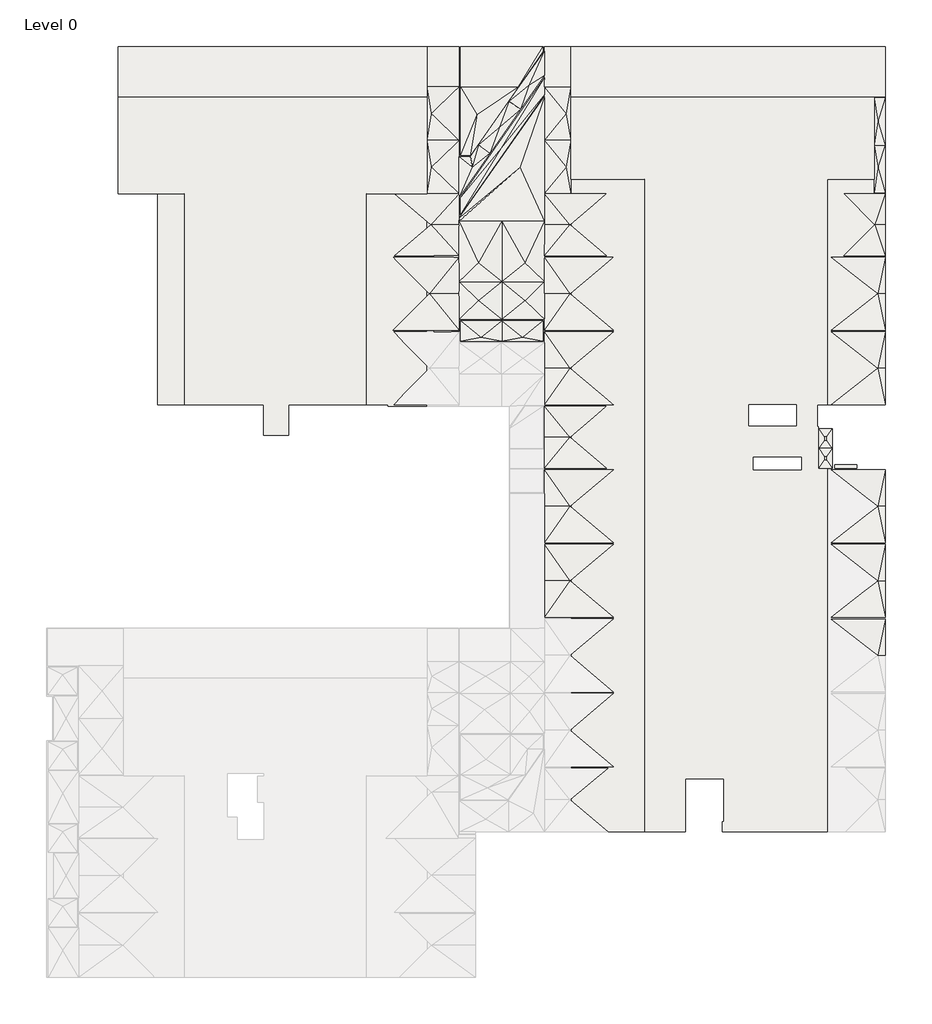
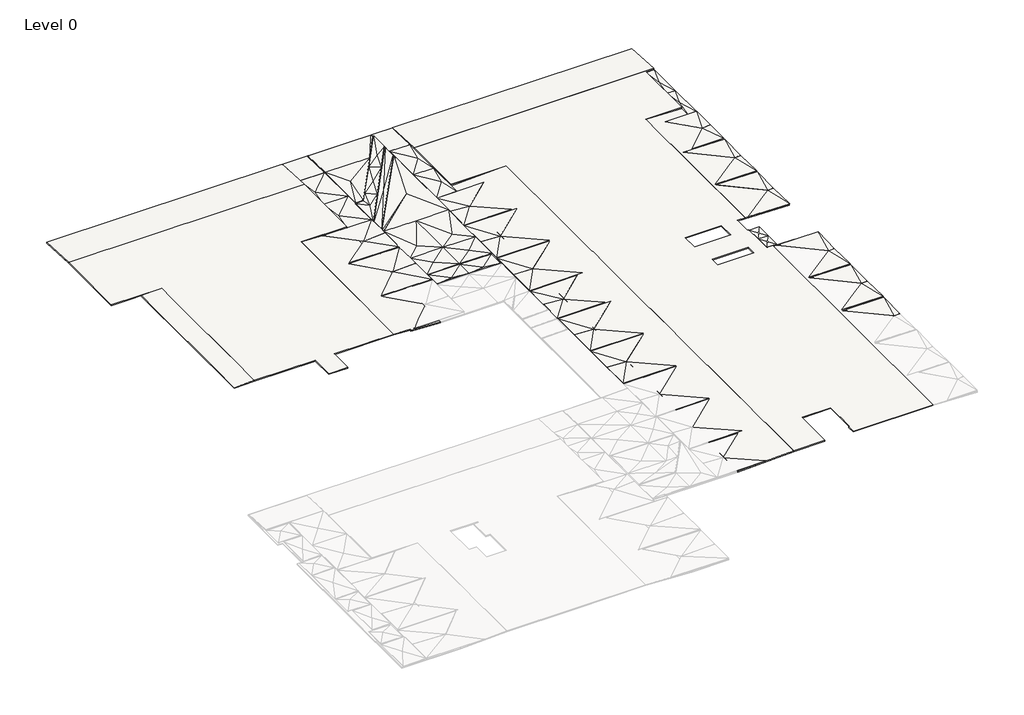
# One storey, part 2 of 2: 51 slabs.
"""IFC4 building model written with IfcOpenShell, lengths in millimetres."""

from ifc_helpers import new_model, si_unit, frame, origin, place, context, project, spatial, polyline, ellipse_curve, outline, extrude, faceted_brep, element, save
from ifc_brep_helpers import plane_surface, revolved_surface, advanced_brep

model = new_model("IFC4")

# Units and contexts
model_context = context("Model", 3, world=origin())
ifc_project = project(units=[si_unit("LENGTHUNIT", "METRE", prefix="MILLI")], contexts=[model_context])

# Site, building, storey
site = spatial("IfcSite", under=ifc_project)
building = spatial("IfcBuilding", under=site)
storey = spatial("IfcBuildingStorey", under=building, Name="Level 0", Elevation=0.0)

# Slabs
placement = place(None, origin())
element("IfcSlab", 1, ObjectType="125 Thick Level 1 Topping (+600 beams)", at=placement, inside=storey, context=model_context, shape_type="SweptSolid", body=[
    extrude(outline(polyline([(17023.7659553, -102128.1689347), (50170.2659553, -102128.1689347), (50170.2659553, -112550.1689347), (43706.7659553, -112550.1689347), (43706.7659553, -135164.1689347), (35301.7659553, -135164.1689347), (35301.7659553, -138454.1689347), (32626.7659553, -138454.1689347), (32626.7659553, -135164.1689347), (24096.7659553, -135164.1689347), (24096.7659553, -112551.1689347), (17023.7659553, -112551.1689347), (17023.7659553, -102128.1689347)])), frame((0.0, 0.0, -250.0), z_axis=(0.0, 0.0, 1.0), x_axis=(1.0, 0.0, 0.0)), (0.0, 0.0, 1.0), 125.0),
])
element("IfcSlab", 2, ObjectType="125 Thick Level 1 Topping (+600 beams)", at=placement, inside=storey, context=model_context, shape_type="SweptSolid", body=[
    extrude(outline(polyline([(-549.7884712, 65623.7655601), (-250.0905336, 73496.7655601), (-125.0, 73496.7655601), (-424.6979376, 65623.7655601), (-549.7884712, 65623.7655601)])), frame((0.0, -180983.8509347, 0.0), z_axis=(0.0, 1.0, 0.0), x_axis=(0.0, 0.0, 1.0)), (0.0, 0.0, 1.0), 69969.682),
])
element("IfcSlab", 3, ObjectType="125 Thick Level 1 Topping (+600 beams)", at=placement, inside=storey, context=model_context, shape_type="Brep", body=[
    faceted_brep([(43706.7659553, -112550.1689347, -250.1338178), (50179.7659553, -112550.1689347, -549.7316596), (50179.7659553, -135364.1689347, -549.7316596), (45991.7659576, -135364.1689347, -355.8932909), (45991.7659576, -135164.1689347, -355.8932909), (43706.7659553, -135164.1689347, -250.1338178), (43706.7659553, -112550.1689347, -125.0), (43706.7659553, -135164.1689347, -125.0), (45991.7659576, -135164.1689347, -230.7594731), (45991.7659576, -135364.1689347, -230.7594731), (50179.7659553, -135364.1689347, -424.5978419), (50179.7659553, -112550.1689347, -424.5978419)], [[[0, 1, 2, 3, 4, 5]], [[6, 7, 8, 9, 10, 11]], [[0, 5, 7, 6]], [[3, 2, 10, 9]], [[2, 1, 11, 10]], [[1, 0, 6, 11]], [[4, 3, 9, 8]], [[5, 4, 8, 7]]]),
])
element("IfcSlab", 4, ObjectType="125 Thick Level 1 Topping (+600 beams)", at=placement, inside=storey, context=model_context, shape_type="SweptSolid", body=[
    extrude(outline(polyline([(-349.4257997, 21251.7654552), (-250.076193, 24096.7659553), (-125.0, 24096.7659553), (-224.3496067, 21251.7654552), (-349.4257997, 21251.7654552)])), frame((0.0, -135164.1689347, 0.0), z_axis=(0.0, 1.0, 0.0), x_axis=(0.0, 0.0, 1.0)), (0.0, 0.0, 1.0), 22614.0),
])
element("IfcSlab", 5, ObjectType="125 Thick Level 1 Topping (+600 beams)", at=placement, inside=storey, context=model_context, shape_type="SweptSolid", body=[
    extrude(outline(polyline([(-96764.1689347, -550.0893674), (-102128.1689347, -250.1952089), (-102128.1689347, -125.0), (-96764.1689347, -424.8941585), (-96764.1689347, -550.0893674)])), frame((17023.7659553, 0.0, 0.0), z_axis=(1.0, 0.0, 0.0), x_axis=(0.0, 1.0, 0.0)), (0.0, 0.0, 1.0), 33156.0109988),
])
element("IfcSlab", 6, ObjectType="125 Thick Level 1 Topping (+600 beams)", at=placement, inside=storey, context=model_context, shape_type="AdvancedBrep", body=[
    advanced_brep(
    [(93106.7655601, -135164.1689347, -250.076193), (93106.7655601, -111014.1689347, -250.076193), (99351.7655601, -111014.1689347, -468.1563985), (99351.7655601, -135164.1689347, -468.1563985), (99021.8903882, -123215.5154714, -456.6369037), (99121.8903882, -123215.5154714, -460.1289806), (93106.7655601, -111014.1689347, -125.0), (93106.7655601, -135164.1689347, -125.0), (99351.7655601, -135164.1689347, -343.0802055), (99351.7655601, -111014.1689347, -343.0802055), (99121.8903882, -123215.5154714, -335.0527876), (99021.8903882, -123215.5154714, -331.5607106)],
    [
        (0, 1),
        (1, 2),
        (2, 3),
        (3, 0),
        (4, 5, ellipse_curve(frame((99071.8903882, -123215.5154714, -458.3829421), z_axis=(0.034899496702500934, 0.0, 0.9993908270190958), x_axis=(-0.9993908270190959, 0.0, 0.03489949670249855)), 50.0304772, 50.0)),
        (5, 4, ellipse_curve(frame((99071.8903882, -123215.5154714, -458.3829421), z_axis=(0.034899496702500934, 0.0, 0.9993908270190958), x_axis=(-0.9993908270190959, 0.0, 0.03489949670249855)), 50.0304772, 50.0)),
        (6, 7),
        (7, 8),
        (8, 9),
        (9, 6),
        (10, 11, ellipse_curve(frame((99071.8903882, -123215.5154714, -333.3067491), z_axis=(-0.034899496702500934, 0.0, -0.9993908270190958), x_axis=(-0.9993908270190959, 0.0, 0.03489949670249855)), 50.0304772, 50.0)),
        (11, 10, ellipse_curve(frame((99071.8903882, -123215.5154714, -333.3067491), z_axis=(-0.034899496702500934, 0.0, -0.9993908270190958), x_axis=(-0.9993908270190959, 0.0, 0.03489949670249855)), 50.0304772, 50.0)),
        (0, 7),
        (6, 1),
        (3, 8),
        (2, 9),
        (4, 11),
        (10, 5),
    ],
    [
        plane_surface(frame((93106.7655601, -125944.1689347, -250.076193), z_axis=(-0.034899496702500934, 0.0, -0.9993908270190958), x_axis=(0.9993908270190958, 0.0, -0.034899496702500934))),
        plane_surface(frame((93106.7655601, -125944.1689347, -125.0), z_axis=(0.034899496702500934, 0.0, 0.9993908270190958), x_axis=(-0.9993908270190958, 0.0, 0.034899496702500934))),
        plane_surface(frame((93106.7655601, -135164.1689347, -250.076193), z_axis=(-1.0, 0.0, 0.0), x_axis=(0.0, 0.0, 1.0))),
        plane_surface(frame((99351.7655601, -135164.1689347, -468.1563985), z_axis=(0.0, -1.0, 0.0), x_axis=(0.0, 0.0, 1.0))),
        plane_surface(frame((99351.7655601, -111014.1689347, -468.1563985), z_axis=(1.0, 0.0, 0.0), x_axis=(0.0, 0.0, 1.0))),
        plane_surface(frame((93106.7655601, -111014.1689347, -250.076193), z_axis=(0.0, 1.0, 0.0), x_axis=(0.0, 0.0, 1.0))),
        revolved_surface(polyline([(99121.8903882, -123215.5154714, -331.5607106), (99121.8903882, -123215.5154714, -460.1289806)]), (99071.8903882, -123215.5154714, -772.9563985), (0.0, 0.0, 1.0)),
    ],
    [
        (0, [[1, 2, 3, 4], [5, 6]]),
        (1, [[7, 8, 9, 10], [11, 12]]),
        (2, [[-1, 13, -7, 14]]),
        (3, [[-4, 15, -8, -13]]),
        (4, [[-3, 16, -9, -15]]),
        (5, [[-2, -14, -10, -16]]),
        (6, [[17, -11, 18, -5]]),
        (6, [[-17, -6, -18, -12]]),
    ],
),
])
element("IfcSlab", 7, ObjectType="125 Thick Level 1 Topping (+600 beams)", at=placement, inside=storey, context=model_context, shape_type="SweptSolid", body=[
    extrude(outline(polyline([(65623.7655613, -102128.1689347), (98179.765559, -102128.1689347), (98179.765559, -111014.1689347), (93106.7655601, -111014.1689347), (93106.7655601, -135164.1689347), (92041.7655613, -135164.1689347), (92041.7655613, -137544.1689347), (92171.7655613, -137544.1689347), (92171.7655613, -137744.1689347), (93646.2716717, -137744.1689347), (93646.2716717, -141964.1689347), (93106.7655601, -141964.1689347), (93106.7655601, -180984.1689347), (81846.7655601, -180984.1689347), (81846.7655601, -179884.4872066), (82026.7655601, -179884.4872066), (82026.7655601, -175294.1689347), (77901.7655601, -175294.1689347), (77901.7655601, -180984.1692066), (73496.7655601, -180984.1692066), (73496.7655601, -111014.1689347), (65623.7655613, -111014.1689347), (65623.7655613, -102128.1689347)]), holes=[polyline([(85211.7655636, -142164.1689347), (90316.7655601, -142164.1689347), (90316.7655601, -140814.1689347), (85211.7655636, -140814.1689347), (85211.7655636, -142164.1689347)]), polyline([(84726.7655601, -137414.1689347), (89776.7655601, -137414.1689347), (89776.7655601, -135164.1689347), (84726.7655601, -135164.1689347), (84726.7655601, -137414.1689347)])]), frame((0.0, 0.0, -250.0), z_axis=(0.0, 0.0, 1.0), x_axis=(1.0, 0.0, 0.0)), (0.0, 0.0, 1.0), 125.0),
])
element("IfcSlab", 8, ObjectType="125 Thick Level 1 Topping (+600 beams)", at=placement, inside=storey, context=model_context, shape_type="SweptSolid", body=[
    extrude(outline(polyline([(-96764.1689347, -550.0893674), (-102128.1689347, -250.1952089), (-102128.1689347, -125.0), (-96764.1689347, -424.8941585), (-96764.1689347, -550.0893674)])), frame((65623.7655601, 0.0, 0.0), z_axis=(1.0, 0.0, 0.0), x_axis=(0.0, 1.0, 0.0)), (0.0, 0.0, 1.0), 33728.0),
])
element("IfcSlab", 9, ObjectType="125 Thick Level 1 Topping (+600 beams)", at=placement, inside=storey, context=model_context, shape_type="SweptSolid", body=[
    extrude(outline(polyline([(92231.7765601, -137744.1689347), (93646.2716717, -137744.1689347), (93646.2716717, -141964.1689347), (92231.7765601, -141964.1689347), (92231.7765601, -137744.1689347)])), frame((0.0, 0.0, -425.0), z_axis=(0.0, 0.0, 1.0), x_axis=(1.0, 0.0, 0.0)), (0.0, 0.0, 1.0), 125.0),
])
element("IfcSlab", 10, ObjectType="150 Concrete", at=placement, inside=storey, context=model_context, shape_type="SweptSolid", body=[
    extrude(outline(polyline([(93906.7765601, -141964.1689347), (93906.7765601, -141594.1343436), (96296.2716717, -141594.1343436), (96296.2716717, -141964.1689347), (93906.7765601, -141964.1689347)])), frame((0.0, 0.0, -655.0), z_axis=(0.0, 0.0, 1.0), x_axis=(1.0, 0.0, 0.0)), (0.0, 0.0, 1.0), 150.0),
])
element("IfcSlab", 11, ObjectType="200 Concrete", at=placement, inside=storey, context=model_context, shape_type="SweptSolid", body=[
    extrude(outline(polyline([(-502.2749725, 98179.765559), (-543.2021143, 99351.7655601), (-343.0802055, 99351.7655601), (-302.1530636, 98179.765559), (-502.2749725, 98179.765559)])), frame((0.0, -111014.1689347, 0.0), z_axis=(0.0, 1.0, 0.0), x_axis=(0.0, 0.0, 1.0)), (0.0, 0.0, 1.0), 8886.0),
])
element("IfcSlab", 12, ObjectType="75 Screed", at=placement, inside=storey, context=model_context, shape_type="Brep", body=[
    faceted_brep([(53629.7659553, -126024.1689347, -305.0), (53629.7659553, -126024.1689347, -300.0), (53629.7659553, -121965.4961873, -300.0), (53629.7659553, -115494.1689347, -250.0), (53629.7659553, -115153.9945133, -270.0), (53629.7659553, -115153.9945133, -275.0), (53629.7659553, -115494.1689347, -255.0), (53629.7659553, -121965.4961873, -305.0), (62793.1256513, -102154.5329681, -300.0), (62793.1256513, -102154.5329681, -305.0), (62793.1256513, -115494.1689347, -250.0), (62793.1256513, -121965.4961873, -300.0), (62793.1256513, -126024.1689347, -300.0), (62793.1256513, -126024.1689347, -305.0), (62793.1256513, -121965.4961873, -305.0), (62793.1256513, -115494.1689347, -255.0), (58201.7657583, -126024.1689347, -300.0), (58201.7657583, -126024.1689347, -305.0), (60698.5740963, -124004.1689347, -400.0), (60698.5740963, -124004.1689347, -405.0), (60173.804207, -109714.1689347, -425.0), (60173.804207, -109714.1689347, -430.0), (58201.7657583, -121965.4961873, -300.0), (58201.7657583, -121965.4961873, -305.0), (55699.5227755, -124004.1689347, -400.0), (55699.5227755, -124004.1689347, -405.0), (55699.3488372, -119964.1689347, -405.0), (60698.5740963, -119964.1689347, -405.0), (55699.3488372, -119964.1689347, -410.0), (60698.5740963, -119964.1689347, -410.0), (58201.7659553, -115494.1689347, -250.0), (58201.7659553, -115494.1689347, -255.0)], [[[0, 1, 2, 3, 4, 5, 6, 7]], [[5, 4, 8, 9]], [[9, 8, 10, 11, 12, 13, 14, 15]], [[13, 12, 16, 1, 0, 17]], [[12, 18, 16]], [[13, 17, 19]], [[8, 4, 20]], [[9, 21, 5]], [[8, 20, 10]], [[9, 15, 21]], [[18, 11, 22]], [[12, 11, 18]], [[19, 23, 14]], [[13, 19, 14]], [[1, 16, 24]], [[18, 22, 16]], [[0, 25, 17]], [[19, 17, 23]], [[1, 24, 2]], [[2, 24, 22]], [[16, 22, 24]], [[0, 7, 25]], [[7, 23, 25]], [[17, 25, 23]], [[2, 22, 26]], [[4, 3, 20]], [[11, 10, 27]], [[7, 28, 23]], [[5, 21, 6]], [[14, 29, 15]], [[22, 27, 30]], [[2, 26, 3]], [[3, 26, 30]], [[22, 30, 26]], [[10, 30, 27]], [[11, 27, 22]], [[23, 31, 29]], [[7, 6, 28]], [[6, 31, 28]], [[23, 28, 31]], [[15, 29, 31]], [[14, 23, 29]], [[20, 3, 30, 10]], [[21, 15, 31, 6]]]),
])
element("IfcSlab", 13, ObjectType="75 Screed", at=placement, inside=storey, context=model_context, shape_type="Brep", body=[
    faceted_brep([(62633.7655613, -126164.1689347, -305.0), (62633.7655613, -126164.1689347, -300.0), (62633.7655613, -128364.1689347, -300.0), (62633.7655613, -128364.1689347, -305.0), (58201.7657583, -128364.1689347, -300.0), (53769.7659553, -128364.1689347, -300.0), (53769.7659553, -128364.1689347, -305.0), (58201.7657583, -128364.1689347, -305.0), (53769.7659553, -126164.1689347, -300.0), (53769.7659553, -126164.1689347, -305.0), (58201.7657583, -126164.1689347, -300.0), (58201.7657583, -126164.1689347, -305.0), (55978.7767516, -127964.1689347, -380.0), (55978.7767516, -127964.1689347, -385.0), (60424.7835731, -127964.1689347, -380.0), (60424.7835731, -127964.1689347, -385.0)], [[[0, 1, 2, 3]], [[3, 2, 4, 5, 6, 7]], [[6, 5, 8, 9]], [[9, 8, 10, 1, 0, 11]], [[8, 5, 12]], [[9, 13, 6]], [[2, 1, 14]], [[3, 15, 0]], [[8, 12, 10]], [[9, 11, 13]], [[2, 14, 4]], [[3, 7, 15]], [[5, 4, 12]], [[12, 4, 10]], [[1, 10, 14]], [[14, 10, 4]], [[6, 13, 7]], [[13, 11, 7]], [[0, 15, 11]], [[15, 7, 11]]]),
])
element("IfcSlab", 14, ObjectType="75 Screed", at=placement, inside=storey, context=model_context, shape_type="Brep", body=[
    faceted_brep([(62773.7655613, -101938.0994907, -305.0), (62773.7655613, -101938.0994907, -300.0), (53769.7659553, -114797.1435807, -300.0), (53769.7659553, -114797.1435807, -305.0), (53769.7659553, -112966.5244453, -300.0), (53769.7659553, -112966.5244453, -305.0), (62773.7655613, -100107.4803553, -300.0), (62773.7655613, -100107.4803553, -305.0), (58133.7831354, -107678.2081794, -400.0), (58133.7831354, -107678.2081794, -405.0)], [[[0, 1, 2, 3]], [[3, 2, 4, 5]], [[5, 4, 6, 7]], [[7, 6, 1, 0]], [[6, 4, 8]], [[7, 9, 5]], [[4, 2, 8]], [[2, 1, 8]], [[5, 9, 3]], [[3, 9, 0]], [[6, 8, 1]], [[7, 0, 9]]]),
])
element("IfcSlab", 15, ObjectType="75 Screed", at=placement, inside=storey, context=model_context, shape_type="Brep", body=[
    faceted_brep([(53771.7659553, -96764.1689347, -430.0), (53771.7659553, -96764.1689347, -425.0), (62631.7659553, -96764.1689347, -425.0), (62631.7659553, -96764.1689347, -430.0), (62631.7659553, -97294.1138531, -400.0), (62631.7659553, -97294.1138531, -405.0), (59982.1420622, -101078.1689347, -275.0), (54831.4154111, -108434.1689347, -300.0), (54831.4154111, -108434.1689347, -305.0), (59982.1420622, -101078.1689347, -280.0), (53771.7659553, -108434.1689347, -300.0), (53771.7659553, -108434.1689347, -305.0), (53771.7659553, -101078.1689347, -275.0), (53771.7659553, -101078.1689347, -280.0), (55549.1737034, -104065.7561865, -400.0), (55549.1737034, -104065.7561865, -405.0)], [[[0, 1, 2, 3]], [[3, 2, 4, 5]], [[5, 4, 6, 7, 8, 9]], [[8, 7, 10, 11]], [[11, 10, 12, 1, 0, 13]], [[10, 7, 14]], [[11, 15, 8]], [[4, 2, 6]], [[5, 9, 3]], [[2, 1, 12, 6]], [[3, 9, 13, 0]], [[10, 14, 12]], [[12, 14, 6]], [[11, 13, 15]], [[13, 9, 15]], [[7, 6, 14]], [[8, 15, 9]]]),
])
element("IfcSlab", 16, ObjectType="75 Screed", at=placement, inside=storey, context=model_context, shape_type="Brep", body=[
    faceted_brep([(98179.765559, -112436.1689347, -255.0), (98179.765559, -112436.1689347, -250.0), (98179.765559, -107327.4795808, -260.0), (98179.765559, -102253.1689347, -250.0), (98179.765559, -102253.1689347, -255.0), (98179.765559, -107327.4795808, -265.0), (99351.7655601, -112436.1689347, -285.0), (99351.7655601, -112436.1689347, -280.0), (99351.7655601, -102253.1689347, -285.0), (99351.7655601, -102253.1689347, -280.0), (99351.7655601, -107327.4795808, -300.0), (99351.7655601, -107327.4795808, -305.0), (98579.7655624, -109712.0516459, -320.0), (98579.5786171, -104764.7589164, -320.0), (98579.7655624, -109712.0516459, -325.0), (98579.5786171, -104764.7589164, -325.0)], [[[0, 1, 2, 3, 4, 5]], [[6, 7, 1, 0]], [[8, 9, 10, 7, 6, 11]], [[4, 3, 9, 8]], [[1, 12, 2]], [[7, 12, 1]], [[9, 3, 13]], [[0, 5, 14]], [[6, 0, 14]], [[8, 15, 4]], [[9, 13, 10]], [[8, 11, 15]], [[13, 2, 10]], [[3, 2, 13]], [[7, 10, 12]], [[12, 10, 2]], [[15, 11, 5]], [[4, 15, 5]], [[6, 14, 11]], [[14, 5, 11]]]),
])
element("IfcSlab", 17, ObjectType="75 Screed", at=placement, inside=storey, context=model_context, shape_type="Brep", body=[
    faceted_brep([(65623.7655613, -112550.1689347, -305.0), (65623.7655613, -112550.1689347, -300.0), (62773.7655613, -112550.1689347, -300.0), (62773.7655613, -112550.1689347, -305.0), (62773.7655613, -101078.1689347, -305.0), (62773.7655613, -101078.1689347, -300.0), (65623.7655613, -101078.1689347, -300.0), (65623.7655613, -101078.1689347, -305.0), (62773.7655613, -106814.1689347, -300.0), (62773.7655613, -106814.1689347, -305.0), (65623.7655613, -106814.1689347, -300.0), (65623.7655613, -106814.1689347, -305.0), (65113.420843, -109682.1689347, -400.0), (65113.420843, -109682.1689347, -405.0), (65113.420843, -103946.1689347, -400.0), (65113.420843, -103946.1689347, -405.0)], [[[0, 1, 2, 3]], [[4, 5, 6, 7]], [[3, 2, 8, 5, 4, 9]], [[7, 6, 10, 1, 0, 11]], [[2, 1, 12]], [[3, 13, 0]], [[2, 12, 8]], [[3, 9, 13]], [[6, 14, 10]], [[5, 14, 6]], [[7, 11, 15]], [[4, 7, 15]], [[5, 8, 14]], [[12, 10, 8]], [[14, 8, 10]], [[1, 10, 12]], [[4, 15, 9]], [[13, 9, 11]], [[15, 11, 9]], [[0, 13, 11]]]),
])
element("IfcSlab", 18, ObjectType="75 Screed", at=placement, inside=storey, context=model_context, shape_type="Brep", body=[
    faceted_brep([(54841.5342014, -108574.1689347, -305.0), (54841.5342014, -108574.1689347, -300.0), (55719.1682664, -107320.7775941, -300.0), (58988.7561805, -102651.3221318, -300.0), (62771.7659553, -97248.6242624, -300.0), (62771.7659553, -97248.6242624, -305.0), (58988.7561805, -102651.3221318, -305.0), (55719.1682664, -107320.7775941, -305.0), (62773.8622451, -99863.4655026, -305.0), (62773.8622451, -99863.4655026, -300.0), (60218.7363211, -103512.563498, -300.0), (56949.148407, -108182.0189603, -300.0), (53629.9100424, -112922.3826147, -300.0), (53629.9100424, -112922.3826147, -305.0), (56949.148407, -108182.0189603, -305.0), (60218.7363211, -103512.563498, -305.0), (61137.4603751, -100892.6986972, -400.0), (61137.4603751, -100892.6986972, -405.0), (57969.5827604, -105416.8967983, -400.0), (57969.5827604, -105416.8967983, -405.0), (53631.7659553, -108573.6526404, -300.0), (53631.7659553, -108573.6526404, -305.0), (55042.0873326, -109689.2035257, -400.0), (55042.0873326, -109689.2035257, -405.0)], [[[0, 1, 2, 3, 4, 5, 6, 7]], [[8, 9, 10, 11, 12, 13, 14, 15]], [[5, 4, 9, 8]], [[9, 4, 16]], [[8, 17, 5]], [[2, 11, 18]], [[7, 19, 14]], [[13, 12, 20, 21]], [[21, 20, 1, 0]], [[2, 1, 22]], [[7, 23, 0]], [[1, 20, 22]], [[0, 23, 21]], [[20, 12, 22]], [[21, 23, 13]], [[2, 22, 11]], [[7, 14, 23]], [[11, 22, 12]], [[14, 13, 23]], [[3, 10, 16]], [[6, 17, 15]], [[11, 10, 18]], [[14, 19, 15]], [[3, 18, 10]], [[2, 18, 3]], [[6, 15, 19]], [[7, 6, 19]], [[9, 16, 10]], [[4, 3, 16]], [[8, 15, 17]], [[5, 17, 6]]]),
])
element("IfcSlab", 19, ObjectType="75 Screed", at=placement, inside=storey, context=model_context, shape_type="Brep", body=[
    faceted_brep([(50451.9742701, -123264.1689347, -430.0), (50451.9742701, -123264.1689347, -425.0), (46526.9742701, -119339.1689347, -255.0), (46526.9742701, -119339.1689347, -260.0), (53629.7659553, -119339.1689347, -285.0), (53629.7659553, -119339.1689347, -280.0), (53629.7659553, -123264.1689347, -300.0), (53629.7659553, -123264.1689347, -305.0)], [[[0, 1, 2, 3]], [[4, 5, 6, 7]], [[3, 2, 5, 4]], [[7, 6, 1, 0]], [[2, 1, 5]], [[3, 4, 0]], [[5, 1, 6]], [[4, 7, 0]]]),
])
element("IfcSlab", 20, ObjectType="75 Screed", at=placement, inside=storey, context=model_context, shape_type="Brep", body=[
    faceted_brep([(50604.7659576, -115869.6689347, -430.0), (50604.7659576, -115869.6689347, -425.0), (46679.7906019, -112550.1689347, -260.0), (46679.7906019, -112550.1689347, -265.0), (53629.7659553, -112550.1689347, -305.0), (53629.7659553, -112550.1689347, -300.0), (53629.7659553, -115869.6689347, -250.0), (53629.7659553, -115869.6689347, -255.0)], [[[0, 1, 2, 3]], [[4, 5, 6, 7]], [[3, 2, 5, 4]], [[7, 6, 1, 0]], [[2, 1, 5]], [[3, 4, 0]], [[5, 1, 6]], [[4, 7, 0]]]),
])
element("IfcSlab", 21, ObjectType="75 Screed", at=placement, inside=storey, context=model_context, shape_type="Brep", body=[
    faceted_brep([(65498.7655636, -115870.6689347, -430.0), (65498.7655636, -115870.6689347, -425.0), (69423.7409193, -119190.1689347, -245.0), (69423.7409193, -119190.1689347, -250.0), (62773.7655613, -119190.1689347, -283.5), (62773.7655613, -119190.1689347, -278.5), (62773.7655613, -115870.6689347, -253.0), (62773.7655613, -115870.6689347, -258.0)], [[[0, 1, 2, 3]], [[4, 5, 6, 7]], [[3, 2, 5, 4]], [[7, 6, 1, 0]], [[2, 1, 5]], [[3, 4, 0]], [[5, 1, 6]], [[4, 7, 0]]]),
])
element("IfcSlab", 22, ObjectType="75 Screed", at=placement, inside=storey, context=model_context, shape_type="Brep", body=[
    faceted_brep([(69423.7409193, -112551.1689347, -285.0), (69423.7409193, -112551.1689347, -280.0), (65498.7655636, -115870.6689347, -425.0), (65498.7655636, -115870.6689347, -430.0), (62773.7655613, -115870.6689347, -305.0), (62773.7655613, -115870.6689347, -300.0), (62773.7655613, -112551.1689347, -300.0), (62773.7655613, -112551.1689347, -305.0)], [[[0, 1, 2, 3]], [[4, 5, 6, 7]], [[7, 6, 1, 0]], [[3, 2, 5, 4]], [[2, 1, 6]], [[3, 7, 0]], [[2, 6, 5]], [[3, 4, 7]]]),
])
element("IfcSlab", 23, ObjectType="75 Screed", at=placement, inside=storey, context=model_context, shape_type="Brep", body=[
    faceted_brep([(65523.7655591, -123264.168933, -430.0), (65523.7655591, -123264.168933, -425.0), (70201.3984111, -127189.168933, -250.0), (70201.3984111, -127189.168933, -255.0), (62773.7655613, -127189.168933, -305.0), (62773.7655613, -127189.168933, -300.0), (62773.7655613, -123264.168933, -300.0), (62773.7655613, -123264.168933, -305.0)], [[[0, 1, 2, 3]], [[4, 5, 6, 7]], [[3, 2, 5, 4]], [[7, 6, 1, 0]], [[2, 1, 5]], [[3, 4, 0]], [[5, 1, 6]], [[4, 7, 0]]]),
])
element("IfcSlab", 24, ObjectType="75 Screed", at=placement, inside=storey, context=model_context, shape_type="Brep", body=[
    faceted_brep([(53631.7659553, -112550.1689347, -305.0), (53631.7659553, -112550.1689347, -300.0), (50179.7659576, -112550.1689347, -300.0), (50179.7659576, -112550.1689347, -305.0), (50179.7659576, -101078.1689347, -280.0), (50179.7659576, -101078.1689347, -275.0), (53631.7659553, -101078.1689347, -275.0), (53631.7659553, -101078.1689347, -280.0), (50179.7659576, -106819.1689347, -300.0), (50179.7659576, -106819.1689347, -305.0), (53631.7659553, -106819.1689347, -300.0), (53631.7659553, -106819.1689347, -305.0), (50646.6243402, -109688.5989816, -400.0), (50646.6243402, -109688.5989816, -405.0), (50646.9212393, -103949.1572279, -400.0), (50646.9212393, -103949.1572279, -405.0)], [[[0, 1, 2, 3]], [[4, 5, 6, 7]], [[3, 2, 8, 5, 4, 9]], [[7, 6, 10, 1, 0, 11]], [[2, 1, 12]], [[3, 13, 0]], [[2, 12, 8]], [[3, 9, 13]], [[6, 14, 10]], [[5, 14, 6]], [[7, 11, 15]], [[4, 7, 15]], [[5, 8, 14]], [[12, 10, 8]], [[14, 8, 10]], [[1, 10, 12]], [[4, 15, 9]], [[13, 9, 11]], [[15, 11, 9]], [[0, 13, 11]]]),
])
element("IfcSlab", 25, ObjectType="75 Screed", at=placement, inside=storey, context=model_context, shape_type="SweptSolid", body=[
    extrude(outline(polyline([(-101078.1689347, -280.0), (-101078.1689347, -275.0), (-96764.1689347, -425.0), (-96764.1689347, -430.0), (-101078.1689347, -280.0)])), frame((50179.7769541, 0.0, 0.0), z_axis=(1.0, 0.0, 0.0), x_axis=(0.0, 1.0, 0.0)), (0.0, 0.0, 1.0), 3451.9890012),
])
element("IfcSlab", 26, ObjectType="75 Screed", at=placement, inside=storey, context=model_context, shape_type="Brep", body=[
    faceted_brep([(98236.7655578, -115862.6689347, -305.0), (98236.7655578, -115862.6689347, -300.0), (94925.2655578, -112551.1689347, -185.0), (94925.2655578, -112551.1689347, -190.0), (99351.7655601, -112551.1689347, -185.0), (99351.7655601, -112551.1689347, -180.0), (99351.7655601, -115862.6689347, -200.0), (99351.7655601, -115862.6689347, -205.0)], [[[0, 1, 2, 3]], [[4, 5, 6, 7]], [[3, 2, 5, 4]], [[7, 6, 1, 0]], [[2, 1, 5]], [[3, 4, 0]], [[5, 1, 6]], [[4, 7, 0]]]),
])
element("IfcSlab", 27, ObjectType="75 Screed", at=placement, inside=storey, context=model_context, shape_type="SweptSolid", body=[
    extrude(outline(polyline([(-101078.1689347, -280.0), (-101078.1689347, -275.0), (-96764.1689347, -425.0), (-96764.1689347, -430.0), (-101078.1689347, -280.0)])), frame((62771.7659553, 0.0, 0.0), z_axis=(1.0, 0.0, 0.0), x_axis=(0.0, 1.0, 0.0)), (0.0, 0.0, 1.0), 2851.999606),
])
element("IfcSlab", 28, ObjectType="75 Screed", at=placement, inside=storey, context=model_context, shape_type="Brep", body=[
    faceted_brep([(70201.3984111, -119339.168933, -255.0), (70201.3984111, -119339.168933, -250.0), (65523.7655591, -123264.168933, -425.0), (65523.7655591, -123264.168933, -430.0), (62773.7655613, -123264.168933, -305.0), (62773.7655613, -123264.168933, -300.0), (62773.7655613, -119339.168933, -280.0), (62773.7655613, -119339.168933, -285.0)], [[[0, 1, 2, 3]], [[4, 5, 6, 7]], [[7, 6, 1, 0]], [[3, 2, 5, 4]], [[2, 1, 6]], [[3, 7, 0]], [[2, 6, 5]], [[3, 4, 7]]]),
])
element("IfcSlab", 29, ObjectType="75 Screed", at=placement, inside=storey, context=model_context, shape_type="Brep", body=[
    faceted_brep([(70201.3984111, -127339.1689364, -255.0), (70201.3984111, -127339.1689364, -250.0), (65523.7655591, -131264.1689364, -425.0), (65523.7655591, -131264.1689364, -430.0), (62773.7655613, -131264.1689364, -305.0), (62773.7655613, -131264.1689364, -300.0), (62773.7655613, -127339.1689364, -300.0), (62773.7655613, -127339.1689364, -305.0)], [[[0, 1, 2, 3]], [[4, 5, 6, 7]], [[7, 6, 1, 0]], [[3, 2, 5, 4]], [[2, 1, 6]], [[3, 7, 0]], [[2, 6, 5]], [[3, 4, 7]]]),
])
element("IfcSlab", 30, ObjectType="75 Screed", at=placement, inside=storey, context=model_context, shape_type="Brep", body=[
    faceted_brep([(65523.7655591, -131264.1689364, -430.0), (65523.7655591, -131264.1689364, -425.0), (70201.3984111, -135189.1689364, -250.0), (70201.3984111, -135189.1689364, -255.0), (62773.7655613, -135189.1689364, -305.0), (62773.7655613, -135189.1689364, -300.0), (62773.7655613, -131264.1689364, -300.0), (62773.7655613, -131264.1689364, -305.0)], [[[0, 1, 2, 3]], [[4, 5, 6, 7]], [[3, 2, 5, 4]], [[7, 6, 1, 0]], [[2, 1, 5]], [[3, 4, 0]], [[5, 1, 6]], [[4, 7, 0]]]),
])
element("IfcSlab", 31, ObjectType="75 Screed", at=placement, inside=storey, context=model_context, shape_type="Brep", body=[
    faceted_brep([(65498.7655636, -138654.6689347, -430.0), (65498.7655636, -138654.6689347, -425.0), (69423.7409193, -141974.1689347, -245.0), (69423.7409193, -141974.1689347, -250.0), (62773.7655613, -141974.1689347, -283.5), (62773.7655613, -141974.1689347, -278.5), (62773.7655613, -138654.6689347, -253.0), (62773.7655613, -138654.6689347, -258.0)], [[[0, 1, 2, 3]], [[4, 5, 6, 7]], [[3, 2, 5, 4]], [[7, 6, 1, 0]], [[2, 1, 5]], [[3, 4, 0]], [[5, 1, 6]], [[4, 7, 0]]]),
])
element("IfcSlab", 32, ObjectType="75 Screed", at=placement, inside=storey, context=model_context, shape_type="Brep", body=[
    faceted_brep([(69423.7409193, -135335.1689347, -285.0), (69423.7409193, -135335.1689347, -280.0), (65498.7655636, -138654.6689347, -425.0), (65498.7655636, -138654.6689347, -430.0), (62773.7655613, -138654.6689347, -305.0), (62773.7655613, -138654.6689347, -300.0), (62773.7655613, -135335.1689347, -300.0), (62773.7655613, -135335.1689347, -305.0)], [[[0, 1, 2, 3]], [[4, 5, 6, 7]], [[7, 6, 1, 0]], [[3, 2, 5, 4]], [[2, 1, 6]], [[3, 7, 0]], [[2, 6, 5]], [[3, 4, 7]]]),
])
element("IfcSlab", 33, ObjectType="75 Screed", at=placement, inside=storey, context=model_context, shape_type="Brep", body=[
    faceted_brep([(70201.3984111, -142139.1689364, -255.0), (70201.3984111, -142139.1689364, -250.0), (65523.7655591, -146064.1689364, -425.0), (65523.7655591, -146064.1689364, -430.0), (62773.7655613, -146064.1689364, -305.0), (62773.7655613, -146064.1689364, -300.0), (62773.7655613, -142139.1689364, -300.0), (62773.7655613, -142139.1689364, -305.0)], [[[0, 1, 2, 3]], [[4, 5, 6, 7]], [[7, 6, 1, 0]], [[3, 2, 5, 4]], [[2, 1, 6]], [[3, 7, 0]], [[2, 6, 5]], [[3, 4, 7]]]),
])
element("IfcSlab", 34, ObjectType="75 Screed", at=placement, inside=storey, context=model_context, shape_type="Brep", body=[
    faceted_brep([(65523.7655591, -146064.1689364, -430.0), (65523.7655591, -146064.1689364, -425.0), (70201.3984111, -149989.1689364, -250.0), (70201.3984111, -149989.1689364, -255.0), (62773.7655613, -149989.1689364, -305.0), (62773.7655613, -149989.1689364, -300.0), (62773.7655613, -146064.1689364, -300.0), (62773.7655613, -146064.1689364, -305.0)], [[[0, 1, 2, 3]], [[4, 5, 6, 7]], [[3, 2, 5, 4]], [[7, 6, 1, 0]], [[2, 1, 5]], [[3, 4, 0]], [[5, 1, 6]], [[4, 7, 0]]]),
])
element("IfcSlab", 35, ObjectType="75 Screed", at=placement, inside=storey, context=model_context, shape_type="Brep", body=[
    faceted_brep([(70201.3984111, -150139.1689364, -255.0), (70201.3984111, -150139.1689364, -250.0), (65523.7655591, -154064.1689364, -425.0), (65523.7655591, -154064.1689364, -430.0), (62773.7655613, -154064.1689364, -305.0), (62773.7655613, -154064.1689364, -300.0), (62773.7655613, -150139.1689364, -300.0), (62773.7655613, -150139.1689364, -305.0)], [[[0, 1, 2, 3]], [[4, 5, 6, 7]], [[7, 6, 1, 0]], [[3, 2, 5, 4]], [[2, 1, 6]], [[3, 7, 0]], [[2, 6, 5]], [[3, 4, 7]]]),
])
element("IfcSlab", 36, ObjectType="75 Screed", at=placement, inside=storey, context=model_context, shape_type="Brep", body=[
    faceted_brep([(65523.7655591, -154064.1689364, -430.0), (65523.7655591, -154064.1689364, -425.0), (70201.3984111, -157989.1689364, -250.0), (70201.3984111, -157989.1689364, -255.0), (62773.7655613, -157989.1689364, -305.0), (62773.7655613, -157989.1689364, -300.0), (62773.7655613, -154064.1689364, -300.0), (62773.7655613, -154064.1689364, -305.0)], [[[0, 1, 2, 3]], [[4, 5, 6, 7]], [[3, 2, 5, 4]], [[7, 6, 1, 0]], [[2, 1, 5]], [[3, 4, 0]], [[5, 1, 6]], [[4, 7, 0]]]),
])
element("IfcSlab", 37, ObjectType="75 Screed", at=placement, inside=storey, context=model_context, shape_type="Brep", body=[
    faceted_brep([(93646.2716717, -137744.1689347, -105.0), (93646.2716717, -137744.1689347, -100.0), (93646.2716717, -139854.1689347, -100.0), (93646.2716717, -141964.1689347, -100.0), (93646.2716717, -141964.1689347, -105.0), (93646.2716717, -139854.1689347, -105.0), (92231.7765601, -141964.1689347, -100.0), (92231.7765601, -141964.1689347, -105.0), (92231.7765601, -139854.1689347, -100.0), (92231.7765601, -137744.1689347, -100.0), (92231.7765601, -137744.1689347, -105.0), (92231.7765601, -139854.1689347, -105.0), (92939.0241159, -140909.1689347, -130.0), (92939.0241159, -140909.1689347, -135.0), (92939.0241159, -138799.1689347, -130.0), (92939.0241159, -138799.1689347, -135.0)], [[[0, 1, 2, 3, 4, 5]], [[4, 3, 6, 7]], [[7, 6, 8, 9, 10, 11]], [[10, 9, 1, 0]], [[6, 3, 12]], [[7, 13, 4]], [[1, 14, 2]], [[9, 14, 1]], [[0, 5, 15]], [[10, 0, 15]], [[6, 12, 8]], [[7, 11, 13]], [[9, 8, 14]], [[12, 2, 8]], [[14, 8, 2]], [[3, 2, 12]], [[10, 15, 11]], [[13, 11, 5]], [[15, 5, 11]], [[4, 13, 5]]]),
])
element("IfcSlab", 38, ObjectType="75 Screed", at=placement, inside=storey, context=model_context, shape_type="Brep", body=[
    faceted_brep([(93557.1937783, -127174.1689347, -140.0), (93557.1937783, -127174.1689347, -135.0), (98561.7655601, -123264.1689347, -315.0), (98561.7655601, -123264.1689347, -320.0), (99361.7655601, -123264.1689347, -305.0), (99361.7655601, -123264.1689347, -300.0), (99361.7655601, -127174.1689347, -180.0), (99361.7655601, -127174.1689347, -185.0)], [[[0, 1, 2, 3]], [[4, 5, 6, 7]], [[7, 6, 1, 0]], [[3, 2, 5, 4]], [[2, 1, 6]], [[3, 7, 0]], [[2, 6, 5]], [[3, 4, 7]]]),
])
element("IfcSlab", 39, ObjectType="75 Screed", at=placement, inside=storey, context=model_context, shape_type="Brep", body=[
    faceted_brep([(94917.2655578, -119182.1689347, -190.0), (94917.2655578, -119182.1689347, -185.0), (98236.7655578, -115862.6689347, -300.0), (98236.7655578, -115862.6689347, -305.0), (99351.7655601, -115862.6689347, -205.0), (99351.7655601, -115862.6689347, -200.0), (99351.7655601, -119182.1689347, -180.0), (99351.7655601, -119182.1689347, -185.0)], [[[0, 1, 2, 3]], [[4, 5, 6, 7]], [[7, 6, 1, 0]], [[3, 2, 5, 4]], [[2, 1, 6]], [[3, 7, 0]], [[2, 6, 5]], [[3, 4, 7]]]),
])
element("IfcSlab", 40, ObjectType="75 Screed", at=placement, inside=storey, context=model_context, shape_type="Brep", body=[
    faceted_brep([(46679.7906019, -119189.1689347, -265.0), (46679.7906019, -119189.1689347, -260.0), (50604.7659576, -115869.6689347, -425.0), (50604.7659576, -115869.6689347, -430.0), (53629.7659553, -115869.6689347, -255.0), (53629.7659553, -115869.6689347, -250.0), (53629.7659553, -119189.1689347, -300.0), (53629.7659553, -119189.1689347, -305.0)], [[[0, 1, 2, 3]], [[4, 5, 6, 7]], [[7, 6, 1, 0]], [[3, 2, 5, 4]], [[2, 1, 6]], [[3, 7, 0]], [[2, 6, 5]], [[3, 4, 7]]]),
])
element("IfcSlab", 41, ObjectType="75 Screed", at=placement, inside=storey, context=model_context, shape_type="Brep", body=[
    faceted_brep([(46526.9742701, -127189.1689347, -260.0), (46526.9742701, -127189.1689347, -255.0), (50451.9742701, -123264.1689347, -425.0), (50451.9742701, -123264.1689347, -430.0), (53629.7659553, -123264.1689347, -305.0), (53629.7659553, -123264.1689347, -300.0), (53629.7659553, -127189.1689347, -280.0), (53629.7659553, -127189.1689347, -285.0)], [[[0, 1, 2, 3]], [[4, 5, 6, 7]], [[7, 6, 1, 0]], [[3, 2, 5, 4]], [[2, 1, 6]], [[3, 7, 0]], [[2, 6, 5]], [[3, 4, 7]]]),
])
element("IfcSlab", 42, ObjectType="75 Screed", at=placement, inside=storey, context=model_context, shape_type="SweptSolid", body=[
    extrude(outline(polyline([(-285.0, 53629.7659553), (-280.0, 53629.7659553), (-272.0, 50904.7659576), (-277.0, 50904.7659576), (-285.0, 53629.7659553)])), frame((0.0, -119339.1689347, 0.0), z_axis=(0.0, 1.0, 0.0), x_axis=(0.0, 0.0, 1.0)), (0.0, 0.0, 1.0), 150.0),
])
element("IfcSlab", 43, ObjectType="75 Screed", at=placement, inside=storey, context=model_context, shape_type="SweptSolid", body=[
    extrude(outline(polyline([(-285.0, 53629.7659553), (-280.0, 53629.7659553), (-272.0, 50904.7659576), (-277.0, 50904.7659576), (-285.0, 53629.7659553)])), frame((0.0, -127339.1689347, 0.0), z_axis=(0.0, 1.0, 0.0), x_axis=(0.0, 0.0, 1.0)), (0.0, 0.0, 1.0), 150.0),
])
element("IfcSlab", 44, ObjectType="75 Screed", at=placement, inside=storey, context=model_context, shape_type="Brep", body=[
    faceted_brep([(98561.7655601, -123264.1689347, -320.0), (98561.7655601, -123264.1689347, -315.0), (93557.1937783, -119354.1689347, -135.0), (93557.1937783, -119354.1689347, -140.0), (99361.7655601, -119354.1689347, -185.0), (99361.7655601, -119354.1689347, -180.0), (99361.7655601, -123264.1689347, -300.0), (99361.7655601, -123264.1689347, -305.0)], [[[0, 1, 2, 3]], [[4, 5, 6, 7]], [[3, 2, 5, 4]], [[7, 6, 1, 0]], [[2, 1, 5]], [[3, 4, 0]], [[5, 1, 6]], [[4, 7, 0]]]),
])
element("IfcSlab", 45, ObjectType="75 Screed", at=placement, inside=storey, context=model_context, shape_type="Brep", body=[
    faceted_brep([(93557.1937783, -135174.1689347, -140.0), (93557.1937783, -135174.1689347, -135.0), (98561.7655601, -131264.1689347, -315.0), (98561.7655601, -131264.1689347, -320.0), (99361.7655601, -131264.1689347, -305.0), (99361.7655601, -131264.1689347, -300.0), (99361.7655601, -135174.1689347, -180.0), (99361.7655601, -135174.1689347, -185.0)], [[[0, 1, 2, 3]], [[4, 5, 6, 7]], [[7, 6, 1, 0]], [[3, 2, 5, 4]], [[2, 1, 6]], [[3, 7, 0]], [[2, 6, 5]], [[3, 4, 7]]]),
])
element("IfcSlab", 46, ObjectType="75 Screed", at=placement, inside=storey, context=model_context, shape_type="Brep", body=[
    faceted_brep([(98561.7655601, -131264.1689347, -320.0), (98561.7655601, -131264.1689347, -315.0), (93557.1937783, -127354.1689347, -135.0), (93557.1937783, -127354.1689347, -140.0), (99361.7655601, -127354.1689347, -185.0), (99361.7655601, -127354.1689347, -180.0), (99361.7655601, -131264.1689347, -300.0), (99361.7655601, -131264.1689347, -305.0)], [[[0, 1, 2, 3]], [[4, 5, 6, 7]], [[3, 2, 5, 4]], [[7, 6, 1, 0]], [[2, 1, 5]], [[3, 4, 0]], [[5, 1, 6]], [[4, 7, 0]]]),
])
element("IfcSlab", 47, ObjectType="75 Screed", at=placement, inside=storey, context=model_context, shape_type="Brep", body=[
    faceted_brep([(93557.1937783, -149974.1689347, -140.0), (93557.1937783, -149974.1689347, -135.0), (98561.7655601, -146064.1689347, -315.0), (98561.7655601, -146064.1689347, -320.0), (99361.7655601, -146064.1689347, -305.0), (99361.7655601, -146064.1689347, -300.0), (99361.7655601, -149974.1689347, -180.0), (99361.7655601, -149974.1689347, -185.0)], [[[0, 1, 2, 3]], [[4, 5, 6, 7]], [[7, 6, 1, 0]], [[3, 2, 5, 4]], [[2, 1, 6]], [[3, 7, 0]], [[2, 6, 5]], [[3, 4, 7]]]),
])
element("IfcSlab", 48, ObjectType="75 Screed", at=placement, inside=storey, context=model_context, shape_type="Brep", body=[
    faceted_brep([(98561.7655601, -146064.1689347, -320.0), (98561.7655601, -146064.1689347, -315.0), (93557.1937783, -142154.1689347, -135.0), (93557.1937783, -142154.1689347, -140.0), (99361.7655601, -142154.1689347, -185.0), (99361.7655601, -142154.1689347, -180.0), (99361.7655601, -146064.1689347, -300.0), (99361.7655601, -146064.1689347, -305.0)], [[[0, 1, 2, 3]], [[4, 5, 6, 7]], [[3, 2, 5, 4]], [[7, 6, 1, 0]], [[2, 1, 5]], [[3, 4, 0]], [[5, 1, 6]], [[4, 7, 0]]]),
])
element("IfcSlab", 49, ObjectType="75 Screed", at=placement, inside=storey, context=model_context, shape_type="Brep", body=[
    faceted_brep([(93557.1937783, -157974.1689347, -140.0), (93557.1937783, -157974.1689347, -135.0), (98561.7655601, -154064.1689347, -315.0), (98561.7655601, -154064.1689347, -320.0), (99361.7655601, -154064.1689347, -305.0), (99361.7655601, -154064.1689347, -300.0), (99361.7655601, -157974.1689347, -180.0), (99361.7655601, -157974.1689347, -185.0)], [[[0, 1, 2, 3]], [[4, 5, 6, 7]], [[7, 6, 1, 0]], [[3, 2, 5, 4]], [[2, 1, 6]], [[3, 7, 0]], [[2, 6, 5]], [[3, 4, 7]]]),
])
element("IfcSlab", 50, ObjectType="75 Screed", at=placement, inside=storey, context=model_context, shape_type="Brep", body=[
    faceted_brep([(98561.7655601, -154064.1689347, -320.0), (98561.7655601, -154064.1689347, -315.0), (93557.1937783, -150154.1689347, -135.0), (93557.1937783, -150154.1689347, -140.0), (99361.7655601, -150154.1689347, -185.0), (99361.7655601, -150154.1689347, -180.0), (99361.7655601, -154064.1689347, -300.0), (99361.7655601, -154064.1689347, -305.0)], [[[0, 1, 2, 3]], [[4, 5, 6, 7]], [[3, 2, 5, 4]], [[7, 6, 1, 0]], [[2, 1, 5]], [[3, 4, 0]], [[5, 1, 6]], [[4, 7, 0]]]),
])
element("IfcSlab", 51, ObjectType="75 Screed", at=placement, inside=storey, context=model_context, shape_type="Brep", body=[
    faceted_brep([(98561.7655601, -162064.1689347, -320.0), (98561.7655601, -162064.1689347, -315.0), (93557.1937783, -158154.1689347, -135.0), (93557.1937783, -158154.1689347, -140.0), (99361.7655601, -158154.1689347, -185.0), (99361.7655601, -158154.1689347, -180.0), (99361.7655601, -162064.1689347, -300.0), (99361.7655601, -162064.1689347, -305.0)], [[[0, 1, 2, 3]], [[4, 5, 6, 7]], [[3, 2, 5, 4]], [[7, 6, 1, 0]], [[2, 1, 5]], [[3, 4, 0]], [[5, 1, 6]], [[4, 7, 0]]]),
])

save(model, "model.ifc")
